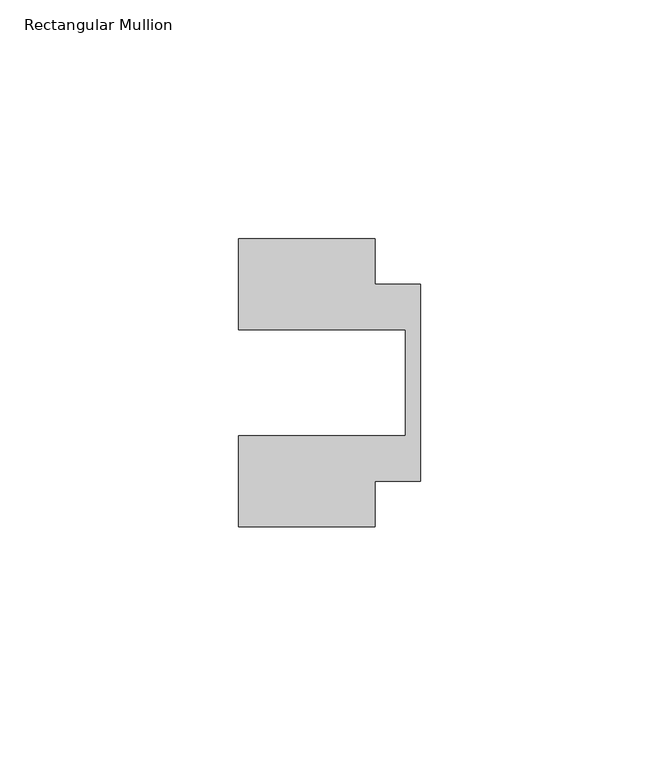
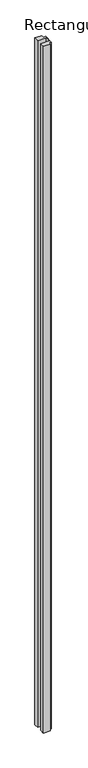
"""IFC4 building model written with IfcOpenShell, lengths in millimetres: member geometry, Rectangular Mullion."""

from ifc_helpers import new_model, si_unit, frame, origin, place, context, project, spatial, polyline, outline, extrude, source, transform, mapped, element, save


def rectangular_mullion_20bbf99e(model_context):
    return source(origin(), model_context, "Body", "SweptSolid", [
        extrude(outline(polyline([(-38.1, 11.1125), (-38.1, 30.1625), (-9.525, 30.1625), (-9.525, 20.6375), (0.0, 20.6375), (0.0, -20.6375), (-9.525, -20.6375), (-9.525, -30.1625), (-38.1, -30.1625), (-38.1, -11.1125), (-3.175, -11.1125), (-3.175, 11.1125), (-38.1, 11.1125)])), frame((0.0, 0.0, -2971.8), z_axis=(0.0, 0.0, 1.0), x_axis=(1.0, 0.0, 0.0)), (0.0, 0.0, 1.0), 2971.8),
    ])


if __name__ == "__main__":
    model = new_model("IFC4")
    model_context = context("Model", 3, world=origin())
    ifc_project = project(units=[si_unit("LENGTHUNIT", "METRE", prefix="MILLI")], contexts=[model_context])
    site = spatial("IfcSite", under=ifc_project)
    building = spatial("IfcBuilding", under=site)
    placement = place(None, origin())
    rectangular_mullion_shape = rectangular_mullion_20bbf99e(model_context)
    element("IfcMember", 1, ObjectType="Rectangular Mullion", at=placement, inside=building, context=model_context, shape_type="MappedRepresentation", body=[
        mapped(rectangular_mullion_shape, transform((0.0, 0.0, 0.0), x_axis=(1.0, 0.0, 0.0), y_axis=(0.0, 1.0, 0.0), z_axis=(0.0, 0.0, 1.0))),
    ])
    save(model, "model.ifc")
